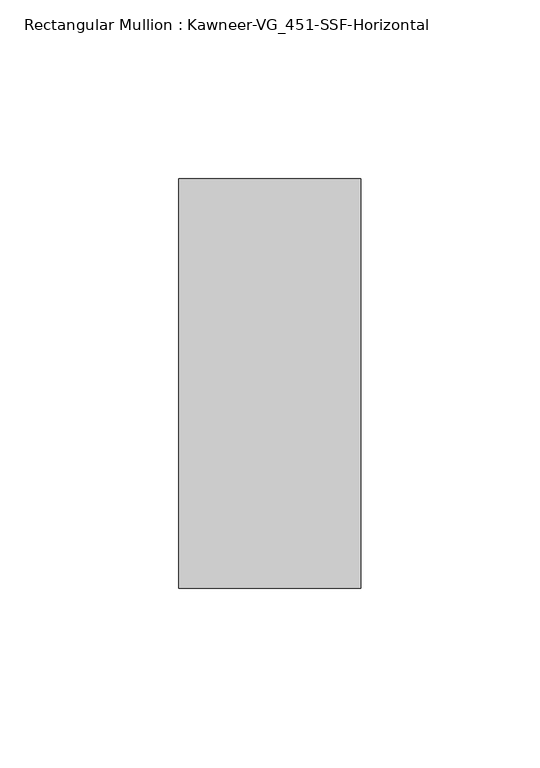
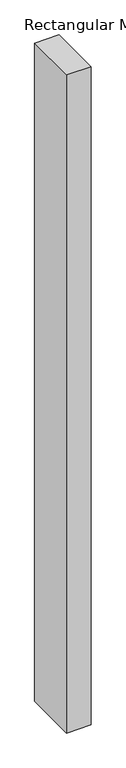
"""IFC4 building model written with IfcOpenShell, lengths in millimetres: member geometry, Rectangular Mullion : Kawneer-VG_451-SSF-Horizontal."""

from ifc_helpers import new_model, si_unit, frame, origin, place, context, project, spatial, polyline, outline, extrude, source, transform, mapped, element, save


def rectangular_mullion_kawneer_vg_451_ssf_horizontal_f5af0a38(model_context):
    return source(origin(), model_context, "Body", "SweptSolid", [
        extrude(outline(polyline([(25.4, 57.15), (25.4, -57.15), (-25.4, -57.15), (-25.4, 57.15), (25.4, 57.15)])), frame((0.0, 0.0, -1443.0375), z_axis=(0.0, 0.0, 1.0), x_axis=(1.0, 0.0, 0.0)), (0.0, 0.0, 1.0), 1443.0375),
    ])


if __name__ == "__main__":
    model = new_model("IFC4")
    model_context = context("Model", 3, world=origin())
    ifc_project = project(units=[si_unit("LENGTHUNIT", "METRE", prefix="MILLI")], contexts=[model_context])
    site = spatial("IfcSite", under=ifc_project)
    building = spatial("IfcBuilding", under=site)
    placement = place(None, origin())
    rectangular_mullion_kawneer_vg_451_ssf_horizontal_shape = rectangular_mullion_kawneer_vg_451_ssf_horizontal_f5af0a38(model_context)
    element("IfcMember", 1, ObjectType="Rectangular Mullion : Kawneer-VG_451-SSF-Horizontal", at=placement, inside=building, context=model_context, shape_type="MappedRepresentation", body=[
        mapped(rectangular_mullion_kawneer_vg_451_ssf_horizontal_shape, transform((0.0, 0.0, 0.0), x_axis=(1.0, 0.0, 0.0), y_axis=(0.0, 1.0, 0.0), z_axis=(0.0, 0.0, 1.0))),
    ])
    save(model, "model.ifc")
